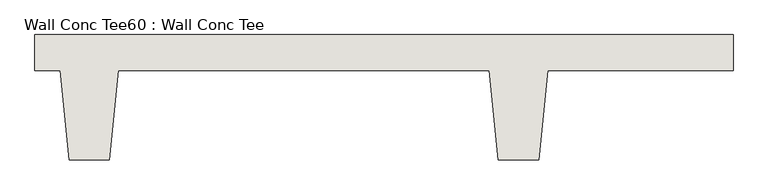
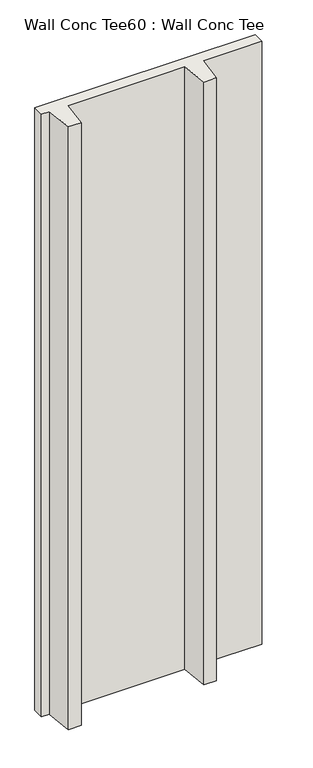
"""IFC4 building model written with IfcOpenShell, lengths in millimetres: wall geometry, Wall Conc Tee60 : Wall Conc Tee."""

import ifcopenshell
import ifcopenshell.guid

model = None  # the IFC model being written
_history = None  # IfcOwnerHistory: only IFC2X3 demands one
_inside = {}  # id of a spatial element -> (the spatial element, [elements in it])
_under = {}  # id of a project, library or spatial element -> (it, [spatial elements below it])
_declared = {}  # id of a project -> (the project, [libraries it declares])
_typed = {}  # id of a type object -> (the type object, [elements of that type])
_made_of = {}  # id of a material, layer set ... -> (it, [elements and type objects made of it])


def new_model(schema):
    """Start an empty IFC model of exactly this schema.

    Asked for "IFC4X3", IfcOpenShell would pick the latest addendum, in which some entities
    have other attributes; the version numbers below select the first issue.
    IFC2X3 requires an IfcOwnerHistory on every rooted entity: one is made here for all.
    """
    global model, _history
    if schema == "IFC4X3":
        model = ifcopenshell.file(schema_version=(4, 3, 0, 0))
    else:
        model = ifcopenshell.file(schema=schema)
    _inside.clear()
    _under.clear()
    _declared.clear()
    _typed.clear()
    _made_of.clear()
    _history = None
    if model.schema == "IFC2X3":
        org = make("IfcOrganization", Name="unknown")
        user = make(
            "IfcPersonAndOrganization",
            ThePerson=make("IfcPerson", FamilyName="unknown"),
            TheOrganization=org,
        )
        app = make(
            "IfcApplication",
            ApplicationDeveloper=org,
            Version="unknown",
            ApplicationFullName="unknown",
            ApplicationIdentifier="unknown",
        )
        _history = make(
            "IfcOwnerHistory",
            OwningUser=user,
            OwningApplication=app,
            ChangeAction="ADDED",
            CreationDate=0,
        )
    return model


def make(cls, **values):
    """One entity of the class cls with the attributes given. An attribute that is None is left unset."""
    return model.create_entity(
        cls, **{name: value for name, value in values.items() if value is not None}
    )


def rooted(cls, **values):
    """An entity with a GlobalId (a new one), such as an element, a storey or a relation."""
    return make(cls, GlobalId=ifcopenshell.guid.new(), OwnerHistory=_history, **values)


def si_unit(unit_type, name, prefix=None):
    """IfcSIUnit, for example si_unit("LENGTHUNIT", "METRE", prefix="MILLI")."""
    return make("IfcSIUnit", UnitType=unit_type, Prefix=prefix, Name=name)


def assignment(units):
    """IfcUnitAssignment: the units of a project."""
    return None if units is None else make("IfcUnitAssignment", Units=units)


def point(xyz):
    """IfcCartesianPoint."""
    return None if xyz is None else make("IfcCartesianPoint", Coordinates=xyz)


def direction(xyz):
    """IfcDirection."""
    return None if xyz is None else make("IfcDirection", DirectionRatios=xyz)


def frame(location, z_axis=None, x_axis=None):
    """IfcAxis2Placement3D, a coordinate frame: its origin and axes. An axis left out is left unset."""
    return make(
        "IfcAxis2Placement3D",
        Location=point(location),
        Axis=direction(z_axis),
        RefDirection=direction(x_axis),
    )


def origin():
    """The frame at (0, 0, 0) with its axes left unset."""
    return frame((0.0, 0.0, 0.0))


def place(relative_to, where):
    """IfcLocalPlacement: puts the frame where relative to a parent placement (None: the world)."""
    return make(
        "IfcLocalPlacement", PlacementRelTo=relative_to, RelativePlacement=where
    )


def context(
    kind, dimensions, precision=None, world=None, true_north=None, identifier=None
):
    """IfcGeometricRepresentationContext, for example the 3D "Model" context."""
    return make(
        "IfcGeometricRepresentationContext",
        ContextIdentifier=identifier,
        ContextType=kind,
        CoordinateSpaceDimension=dimensions,
        Precision=precision,
        WorldCoordinateSystem=world,
        TrueNorth=true_north,
    )


def project(units=None, contexts=None):
    """IfcProject with its units and contexts."""
    return rooted(
        "IfcProject",
        Name="project",
        RepresentationContexts=contexts,
        UnitsInContext=assignment(units),
    )


def spatial(cls, under=None, at=None, **own):
    """A site, building, storey or space (cls), placed at a placement, below another one or the project."""
    s = rooted(cls, ObjectPlacement=at, **own)
    if under is not None:
        _under.setdefault(under.id(), (under, []))[1].append(s)
    return s


def polyline(points):
    """IfcPolyline through the points."""
    return make("IfcPolyline", Points=[point(p) for p in points])


def outline(outer, holes=None, kind="AREA"):
    """IfcArbitraryClosedProfileDef: a profile drawn as a closed curve; with holes, ...WithVoids."""
    if holes is None:
        return make("IfcArbitraryClosedProfileDef", ProfileType=kind, OuterCurve=outer)
    return make(
        "IfcArbitraryProfileDefWithVoids",
        ProfileType=kind,
        OuterCurve=outer,
        InnerCurves=holes,
    )


def extrude(swept, where, along, depth):
    """IfcExtrudedAreaSolid: the profile swept, set in the frame where, extruded along a direction by depth."""
    return make(
        "IfcExtrudedAreaSolid",
        SweptArea=swept,
        Position=where,
        ExtrudedDirection=direction(along),
        Depth=depth,
    )


def shape(context_of_items, identifier, shape_type, items):
    """IfcShapeRepresentation: the items that make up one representation, for example the "Body"."""
    return make(
        "IfcShapeRepresentation",
        ContextOfItems=context_of_items,
        RepresentationIdentifier=identifier,
        RepresentationType=shape_type,
        Items=items,
    )


def source(mapping_origin, context_of_items, identifier, shape_type, items):
    """IfcRepresentationMap: a shape defined once, which mapped items show again and again."""
    return make(
        "IfcRepresentationMap",
        MappingOrigin=mapping_origin,
        MappedRepresentation=shape(context_of_items, identifier, shape_type, items),
    )


def transform(
    local_origin,
    x_axis=None,
    y_axis=None,
    z_axis=None,
    scale=None,
    scale2=None,
    scale3=None,
    uniform=True,
):
    """IfcCartesianTransformationOperator3D, or its non-uniform kind. x_axis, y_axis, z_axis: its Axis1, 2, 3."""
    if uniform:
        return make(
            "IfcCartesianTransformationOperator3D",
            Axis1=direction(x_axis),
            Axis2=direction(y_axis),
            LocalOrigin=point(local_origin),
            Scale=scale,
            Axis3=direction(z_axis),
        )
    return make(
        "IfcCartesianTransformationOperator3DnonUniform",
        Axis1=direction(x_axis),
        Axis2=direction(y_axis),
        LocalOrigin=point(local_origin),
        Scale=scale,
        Axis3=direction(z_axis),
        Scale2=scale2,
        Scale3=scale3,
    )


def mapped(mapping_source, mapping_target):
    """IfcMappedItem: shows the shape of a source again, moved by a transform."""
    return make(
        "IfcMappedItem", MappingSource=mapping_source, MappingTarget=mapping_target
    )


def made_of(thing, what):
    """Note that an element or type object is made of a material, layer set ...; save() writes the relation."""
    if what is not None:
        _made_of.setdefault(what.id(), (what, []))[1].append(thing)
    return thing


def element(
    cls,
    number,
    at=None,
    inside=None,
    cuts=None,
    type_object=None,
    material=None,
    context=None,
    identifier="Body",
    shape_type=None,
    held_by="IfcProductDefinitionShape",
    body=None,
    shapes=None,
    **own,
):
    """One element of the class cls, such as IfcWall. Its Tag is "e" and its number.

    at: its placement. inside: the storey or other place that contains it. cuts: it is an
    opening in that element (IfcRelVoidsElement). A single representation is given by context,
    identifier, shape_type and body (its items); several are given by shapes. held_by: the class
    of the entity that holds the representations. save() writes the other relations.
    """
    e = rooted(cls, Tag="e%d" % number, ObjectPlacement=at, **own)
    if body is not None:
        shapes = [shape(context, identifier, shape_type, body)]
    if shapes is not None:
        e.Representation = make(held_by, Representations=shapes)
    if inside is not None:
        _inside.setdefault(inside.id(), (inside, []))[1].append(e)
    if cuts is not None:
        rooted(
            "IfcRelVoidsElement", RelatingBuildingElement=cuts, RelatedOpeningElement=e
        )
    if type_object is not None:
        _typed.setdefault(type_object.id(), (type_object, []))[1].append(e)
    return made_of(e, material)


def aggregate(whole, parts):
    """IfcRelAggregates: a whole, such as a stair, and the parts it consists of."""
    return rooted("IfcRelAggregates", RelatingObject=whole, RelatedObjects=parts)


def save(model, path):
    """Write the relations noted so far, then the file.

    IfcRelAggregates (storeys below a building ...), IfcRelContainedInSpatialStructure (elements
    in a storey), IfcRelDefinesByType, IfcRelAssociatesMaterial and IfcRelDeclares: one each for
    every whole, place, type object, material and project.
    """
    for whole, parts in _under.values():
        aggregate(whole, parts)
    for where, things in _inside.values():
        rooted(
            "IfcRelContainedInSpatialStructure",
            RelatedElements=things,
            RelatingStructure=where,
        )
    for kind, things in _typed.values():
        rooted("IfcRelDefinesByType", RelatedObjects=things, RelatingType=kind)
    for what, things in _made_of.values():
        rooted("IfcRelAssociatesMaterial", RelatedObjects=things, RelatingMaterial=what)
    for by, libraries in _declared.values():
        rooted("IfcRelDeclares", RelatingContext=by, RelatedDefinitions=libraries)
    model.write(path)


def wall_conc_tee60_wall_conc_tee_70f4b2a2(model_context):
    return source(origin(), model_context, "Body", "SweptSolid", [
        extrude(outline(polyline([(242759.328211, 159042.8596581), (244742.4728488, 159042.8596581), (244742.4728488, 158941.2596581), (244215.4228488, 158941.2596581), (244190.0228488, 158687.2596581), (244075.7228488, 158687.2596581), (244050.3228488, 158941.2596581), (242996.2228488, 158941.2596581), (242970.8228488, 158687.2596581), (242856.5228488, 158687.2596581), (242831.1228488, 158941.2596581), (242759.328211, 158941.2596581), (242759.328211, 159042.8596581)])), frame((0.0, 0.0, 143.7592564), z_axis=(0.0, 0.0, 1.0), x_axis=(1.0, 0.0, 0.0)), (0.0, 0.0, 1.0), 5740.4),
    ])


if __name__ == "__main__":
    model = new_model("IFC4")
    model_context = context("Model", 3, world=origin())
    ifc_project = project(units=[si_unit("LENGTHUNIT", "METRE", prefix="MILLI")], contexts=[model_context])
    site = spatial("IfcSite", under=ifc_project)
    building = spatial("IfcBuilding", under=site)
    placement = place(None, origin())
    wall_conc_tee60_wall_conc_tee_shape = wall_conc_tee60_wall_conc_tee_70f4b2a2(model_context)
    element("IfcWall", 1, ObjectType="Wall Conc Tee60 : Wall Conc Tee", at=placement, inside=building, context=model_context, shape_type="MappedRepresentation", body=[
        mapped(wall_conc_tee60_wall_conc_tee_shape, transform((0.0, 0.0, 0.0), x_axis=(1.0, 0.0, 0.0), y_axis=(0.0, 1.0, 0.0), z_axis=(0.0, 0.0, 1.0))),
    ])
    save(model, "model.ifc")
